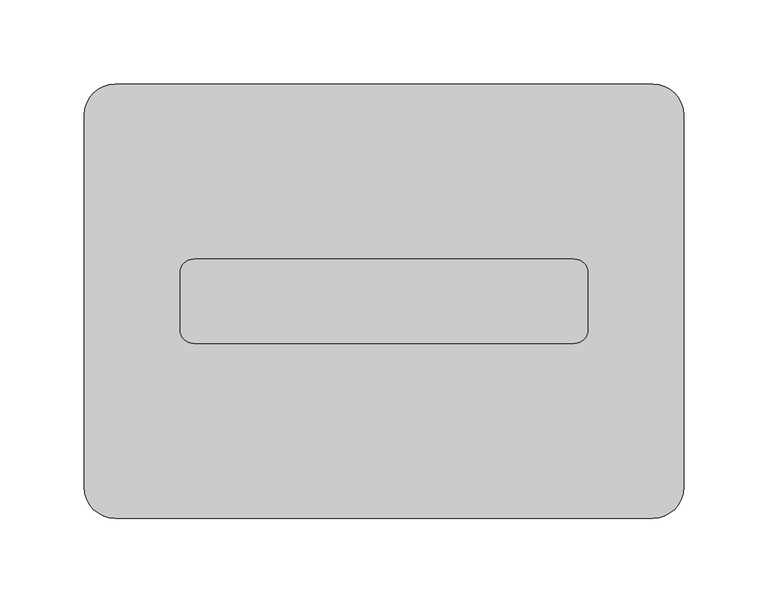
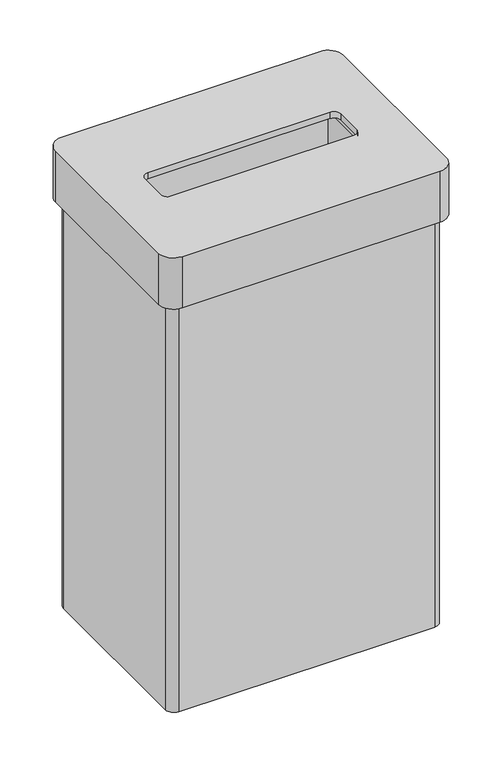
"""IFC4 building model written with IfcOpenShell, lengths in millimetres: furniture geometry."""

from ifc_helpers import new_model, si_unit, frame, origin, place, context, project, spatial, polyline, circle_curve, source, transform, mapped, element, save
from ifc_brep_helpers import plane_surface, cylinder_surface, revolved_surface, advanced_brep


def furniture_e875642c(model_context):
    return source(origin(), model_context, "Body", "AdvancedBrep", [
        advanced_brep(
        [(158.25, 119.75, 534.2), (-158.25, 119.75, 534.2), (-168.75, 109.25, 534.2), (-168.75, -109.25, 534.2), (-158.25, -119.75, 534.2), (158.25, -119.75, 534.2), (168.75, -109.25, 534.2), (168.75, 109.25, 534.2), (159.5, 110.5, 534.2), (159.5, -110.5, 534.2), (-159.5, -110.5, 534.2), (-159.5, 110.5, 534.2), (158.25, 119.75, 0.0), (168.75, 109.25, 0.0), (168.75, -109.25, 0.0), (158.25, -119.75, 0.0), (-158.25, -119.75, 0.0), (-168.75, -109.25, 0.0), (-168.75, 109.25, 0.0), (-158.25, 119.75, 0.0), (159.5, 110.5, 8.0), (159.5, -110.5, 8.0), (-159.5, -110.5, 8.0), (-159.5, 110.5, 8.0)],
        [
            (0, 1),
            (1, 2, circle_curve(frame((-158.25, 109.25, 534.2), z_axis=(0.0, 0.0, 1.0), x_axis=(1.0, 0.0, 0.0)), 10.5)),
            (2, 3),
            (3, 4, circle_curve(frame((-158.25, -109.25, 534.2), z_axis=(0.0, 0.0, 1.0), x_axis=(1.0, 0.0, 0.0)), 10.5)),
            (4, 5),
            (5, 6, circle_curve(frame((158.25, -109.25, 534.2), z_axis=(0.0, 0.0, 1.0), x_axis=(1.0, 0.0, 0.0)), 10.5)),
            (6, 7),
            (7, 0, circle_curve(frame((158.25, 109.25, 534.2), z_axis=(0.0, 0.0, 1.0), x_axis=(1.0, 0.0, 0.0)), 10.5)),
            (8, 9),
            (9, 10),
            (10, 11),
            (11, 8),
            (12, 13, circle_curve(frame((158.25, 109.25, 0.0), z_axis=(0.0, 0.0, -1.0), x_axis=(1.0, 0.0, 0.0)), 10.5)),
            (13, 14),
            (14, 15, circle_curve(frame((158.25, -109.25, 0.0), z_axis=(0.0, 0.0, -1.0), x_axis=(1.0, 0.0, 0.0)), 10.5)),
            (15, 16),
            (16, 17, circle_curve(frame((-158.25, -109.25, 0.0), z_axis=(0.0, 0.0, -1.0), x_axis=(1.0, 0.0, 0.0)), 10.5)),
            (17, 18),
            (18, 19, circle_curve(frame((-158.25, 109.25, 0.0), z_axis=(0.0, 0.0, -1.0), x_axis=(1.0, 0.0, 0.0)), 10.5)),
            (19, 12),
            (8, 20),
            (20, 21),
            (21, 9),
            (21, 22),
            (22, 10),
            (22, 23),
            (23, 11),
            (23, 20),
            (0, 12),
            (19, 1),
            (18, 2),
            (17, 3),
            (16, 4),
            (15, 5),
            (14, 6),
            (13, 7),
        ],
        [
            plane_surface(frame((159.5, 110.5, 534.2), z_axis=(0.0, 0.0, 1.0), x_axis=(0.0, -1.0, 0.0))),
            plane_surface(frame((159.5, 110.5, 0.0), z_axis=(0.0, 0.0, -1.0), x_axis=(0.0, 1.0, 0.0))),
            plane_surface(frame((159.5, 110.5, 534.2), z_axis=(-1.0, 0.0, 0.0), x_axis=(0.0, 0.0, -1.0))),
            plane_surface(frame((159.5, -110.5, 534.2), z_axis=(0.0, 1.0, 0.0), x_axis=(0.0, 0.0, -1.0))),
            plane_surface(frame((-159.5, -110.5, 534.2), z_axis=(1.0, 0.0, 0.0), x_axis=(0.0, 0.0, -1.0))),
            plane_surface(frame((-159.5, 110.5, 534.2), z_axis=(0.0, -1.0, 0.0), x_axis=(0.0, 0.0, -1.0))),
            plane_surface(frame((158.25, 119.75, 534.2), z_axis=(0.0, 1.0, 0.0), x_axis=(0.0, 0.0, -1.0))),
            cylinder_surface(frame((-158.25, 109.25, 0.0), z_axis=(0.0, 0.0, 1.0), x_axis=(1.0, 0.0, 0.0)), 10.5),
            plane_surface(frame((-168.75, 109.25, 534.2), z_axis=(-1.0, 0.0, 0.0), x_axis=(0.0, 0.0, -1.0))),
            cylinder_surface(frame((-158.25, -109.25, 0.0), z_axis=(0.0, 0.0, 1.0), x_axis=(1.0, 0.0, 0.0)), 10.5),
            plane_surface(frame((-158.25, -119.75, 534.2), z_axis=(0.0, -1.0, 0.0), x_axis=(0.0, 0.0, -1.0))),
            cylinder_surface(frame((158.25, -109.25, 0.0), z_axis=(0.0, 0.0, 1.0), x_axis=(1.0, 0.0, 0.0)), 10.5),
            plane_surface(frame((168.75, -109.25, 534.2), z_axis=(1.0, 0.0, 0.0), x_axis=(0.0, 0.0, -1.0))),
            cylinder_surface(frame((158.25, 109.25, 0.0), z_axis=(0.0, 0.0, 1.0), x_axis=(1.0, 0.0, 0.0)), 10.5),
            plane_surface(frame((-159.5, 110.5, 8.0), z_axis=(0.0, 0.0, 1.0), x_axis=(-1.0, 0.0, 0.0))),
        ],
        [
            (0, [[1, 2, 3, 4, 5, 6, 7, 8], [9, 10, 11, 12]]),
            (1, [[13, 14, 15, 16, 17, 18, 19, 20]]),
            (2, [[-9, 21, 22, 23]]),
            (3, [[-10, -23, 24, 25]]),
            (4, [[-11, -25, 26, 27]]),
            (5, [[-12, -27, 28, -21]]),
            (6, [[-1, 29, -20, 30]]),
            (7, [[-2, -30, -19, 31]]),
            (8, [[-3, -31, -18, 32]]),
            (9, [[-4, -32, -17, 33]]),
            (10, [[-5, -33, -16, 34]]),
            (11, [[-6, -34, -15, 35]]),
            (12, [[-7, -35, -14, 36]]),
            (13, [[-8, -36, -13, -29]]),
            (14, [[-22, -28, -26, -24]]),
        ],
    ),
        advanced_brep(
        [(159.5, 129.0, 601.2), (-159.5, 129.0, 601.2), (-178.0, 110.5, 601.2), (-178.0, -110.5, 601.2), (-159.5, -129.0, 601.2), (159.5, -129.0, 601.2), (178.0, -110.5, 601.2), (178.0, 110.5, 601.2), (113.0, 25.0, 601.2), (121.0, 17.0, 601.2), (121.0, -17.0, 601.2), (113.0, -25.0, 601.2), (-113.0, -25.0, 601.2), (-121.0, -17.0, 601.2), (-121.0, 17.0, 601.2), (-113.0, 25.0, 601.2), (159.5, 110.5, 593.2), (159.5, -110.5, 593.2), (-159.5, -110.5, 593.2), (-159.5, 110.5, 593.2), (113.0, 25.0, 593.2), (-113.0, 25.0, 593.2), (-121.0, 17.0, 593.2), (-121.0, -17.0, 593.2), (-113.0, -25.0, 593.2), (113.0, -25.0, 593.2), (121.0, -17.0, 593.2), (121.0, 17.0, 593.2), (159.5, 129.0, 534.2), (178.0, 110.5, 534.2), (178.0, -110.5, 534.2), (159.5, -129.0, 534.2), (-159.5, -129.0, 534.2), (-178.0, -110.5, 534.2), (-178.0, 110.5, 534.2), (-159.5, 129.0, 534.2), (159.5, 110.5, 534.2), (-159.5, 110.5, 534.2), (-159.5, -110.5, 534.2), (159.5, -110.5, 534.2)],
        [
            (0, 1),
            (1, 2, circle_curve(frame((-159.5, 110.5, 601.2), z_axis=(0.0, 0.0, 1.0), x_axis=(1.0, 0.0, 0.0)), 18.5)),
            (2, 3),
            (3, 4, circle_curve(frame((-159.5, -110.5, 601.2), z_axis=(0.0, 0.0, 1.0), x_axis=(1.0, 0.0, 0.0)), 18.5)),
            (4, 5),
            (5, 6, circle_curve(frame((159.5, -110.5, 601.2), z_axis=(0.0, 0.0, 1.0), x_axis=(1.0, 0.0, 0.0)), 18.5)),
            (6, 7),
            (7, 0, circle_curve(frame((159.5, 110.5, 601.2), z_axis=(0.0, 0.0, 1.0), x_axis=(1.0, 0.0, 0.0)), 18.5)),
            (8, 9, circle_curve(frame((113.0, 17.0, 601.2), z_axis=(0.0, 0.0, -1.0), x_axis=(1.0, 0.0, 0.0)), 8.0)),
            (9, 10),
            (10, 11, circle_curve(frame((113.0, -17.0, 601.2), z_axis=(0.0, 0.0, -1.0), x_axis=(1.0, 0.0, 0.0)), 8.0)),
            (11, 12),
            (12, 13, circle_curve(frame((-113.0, -17.0, 601.2), z_axis=(0.0, 0.0, -1.0), x_axis=(1.0, 0.0, 0.0)), 8.0)),
            (13, 14),
            (14, 15, circle_curve(frame((-113.0, 17.0, 601.2), z_axis=(0.0, 0.0, -1.0), x_axis=(1.0, 0.0, 0.0)), 8.0)),
            (15, 8),
            (16, 17),
            (17, 18),
            (18, 19),
            (19, 16),
            (20, 21),
            (21, 22, circle_curve(frame((-113.0, 17.0, 593.2), z_axis=(0.0, 0.0, 1.0), x_axis=(1.0, 0.0, 0.0)), 8.0)),
            (22, 23),
            (23, 24, circle_curve(frame((-113.0, -17.0, 593.2), z_axis=(0.0, 0.0, 1.0), x_axis=(1.0, 0.0, 0.0)), 8.0)),
            (24, 25),
            (25, 26, circle_curve(frame((113.0, -17.0, 593.2), z_axis=(0.0, 0.0, 1.0), x_axis=(1.0, 0.0, 0.0)), 8.0)),
            (26, 27),
            (27, 20, circle_curve(frame((113.0, 17.0, 593.2), z_axis=(0.0, 0.0, 1.0), x_axis=(1.0, 0.0, 0.0)), 8.0)),
            (8, 20),
            (27, 9),
            (26, 10),
            (25, 11),
            (24, 12),
            (23, 13),
            (22, 14),
            (21, 15),
            (28, 29, circle_curve(frame((159.5, 110.5, 534.2), z_axis=(0.0, 0.0, -1.0), x_axis=(1.0, 0.0, 0.0)), 18.5)),
            (29, 30),
            (30, 31, circle_curve(frame((159.5, -110.5, 534.2), z_axis=(0.0, 0.0, -1.0), x_axis=(1.0, 0.0, 0.0)), 18.5)),
            (31, 32),
            (32, 33, circle_curve(frame((-159.5, -110.5, 534.2), z_axis=(0.0, 0.0, -1.0), x_axis=(1.0, 0.0, 0.0)), 18.5)),
            (33, 34),
            (34, 35, circle_curve(frame((-159.5, 110.5, 534.2), z_axis=(0.0, 0.0, -1.0), x_axis=(1.0, 0.0, 0.0)), 18.5)),
            (35, 28),
            (36, 37),
            (37, 38),
            (38, 39),
            (39, 36),
            (0, 28),
            (35, 1),
            (34, 2),
            (33, 3),
            (32, 4),
            (31, 5),
            (30, 6),
            (29, 7),
            (39, 17),
            (16, 36),
            (38, 18),
            (37, 19),
        ],
        [
            plane_surface(frame((-159.5, 110.5, 601.2), z_axis=(0.0, 0.0, 1.0), x_axis=(-1.0, 0.0, 0.0))),
            plane_surface(frame((-159.5, 110.5, 593.2), z_axis=(0.0, 0.0, -1.0), x_axis=(1.0, 0.0, 0.0))),
            revolved_surface(polyline([(121.0, 17.0, 593.2), (121.0, 17.0, 601.2)]), (113.0, 17.0, 601.2), (0.0, 0.0, -1.0)),
            plane_surface(frame((121.0, 17.0, 601.2), z_axis=(-1.0, 0.0, 0.0), x_axis=(0.0, 0.0, -1.0))),
            revolved_surface(polyline([(121.0, -17.0, 593.2), (121.0, -17.0, 601.2)]), (113.0, -17.0, 601.2), (0.0, 0.0, -1.0)),
            plane_surface(frame((113.0, -25.0, 601.2), z_axis=(0.0, 1.0, 0.0), x_axis=(0.0, 0.0, -1.0))),
            revolved_surface(polyline([(-105.0, -17.0, 593.2), (-105.0, -17.0, 601.2)]), (-113.0, -17.0, 601.2), (0.0, 0.0, -1.0)),
            plane_surface(frame((-121.0, -17.0, 601.2), z_axis=(1.0, 0.0, 0.0), x_axis=(0.0, 0.0, -1.0))),
            revolved_surface(polyline([(-105.0, 17.0, 593.2), (-105.0, 17.0, 601.2)]), (-113.0, 17.0, 601.2), (0.0, 0.0, -1.0)),
            plane_surface(frame((-113.0, 25.0, 601.2), z_axis=(0.0, -1.0, 0.0), x_axis=(0.0, 0.0, -1.0))),
            plane_surface(frame((-159.5, 129.0, 534.2), z_axis=(0.0, 0.0, -1.0), x_axis=(1.0, 0.0, 0.0))),
            plane_surface(frame((159.5, 129.0, 601.2), z_axis=(0.0, 1.0, 0.0), x_axis=(0.0, 0.0, -1.0))),
            cylinder_surface(frame((-159.5, 110.5, 534.2), z_axis=(0.0, 0.0, 1.0), x_axis=(1.0, 0.0, 0.0)), 18.5),
            plane_surface(frame((-178.0, 110.5, 601.2), z_axis=(-1.0, 0.0, 0.0), x_axis=(0.0, 0.0, -1.0))),
            cylinder_surface(frame((-159.5, -110.5, 534.2), z_axis=(0.0, 0.0, 1.0), x_axis=(1.0, 0.0, 0.0)), 18.5),
            plane_surface(frame((-159.5, -129.0, 601.2), z_axis=(0.0, -1.0, 0.0), x_axis=(0.0, 0.0, -1.0))),
            cylinder_surface(frame((159.5, -110.5, 534.2), z_axis=(0.0, 0.0, 1.0), x_axis=(1.0, 0.0, 0.0)), 18.5),
            plane_surface(frame((178.0, -110.5, 601.2), z_axis=(1.0, 0.0, 0.0), x_axis=(0.0, 0.0, -1.0))),
            cylinder_surface(frame((159.5, 110.5, 534.2), z_axis=(0.0, 0.0, 1.0), x_axis=(1.0, 0.0, 0.0)), 18.5),
            plane_surface(frame((159.5, 110.5, 601.2), z_axis=(-1.0, 0.0, 0.0), x_axis=(0.0, 0.0, -1.0))),
            plane_surface(frame((159.5, -110.5, 601.2), z_axis=(0.0, 1.0, 0.0), x_axis=(0.0, 0.0, -1.0))),
            plane_surface(frame((-159.5, -110.5, 601.2), z_axis=(1.0, 0.0, 0.0), x_axis=(0.0, 0.0, -1.0))),
            plane_surface(frame((-159.5, 110.5, 601.2), z_axis=(0.0, -1.0, 0.0), x_axis=(0.0, 0.0, -1.0))),
        ],
        [
            (0, [[1, 2, 3, 4, 5, 6, 7, 8], [9, 10, 11, 12, 13, 14, 15, 16]]),
            (1, [[17, 18, 19, 20], [21, 22, 23, 24, 25, 26, 27, 28]]),
            (2, [[-9, 29, -28, 30]]),
            (3, [[-10, -30, -27, 31]]),
            (4, [[-11, -31, -26, 32]]),
            (5, [[-12, -32, -25, 33]]),
            (6, [[-13, -33, -24, 34]]),
            (7, [[-14, -34, -23, 35]]),
            (8, [[-15, -35, -22, 36]]),
            (9, [[-16, -36, -21, -29]]),
            (10, [[37, 38, 39, 40, 41, 42, 43, 44], [45, 46, 47, 48]]),
            (11, [[-1, 49, -44, 50]]),
            (12, [[-2, -50, -43, 51]]),
            (13, [[-3, -51, -42, 52]]),
            (14, [[-4, -52, -41, 53]]),
            (15, [[-5, -53, -40, 54]]),
            (16, [[-6, -54, -39, 55]]),
            (17, [[-7, -55, -38, 56]]),
            (18, [[-8, -56, -37, -49]]),
            (19, [[-48, 57, -17, 58]]),
            (20, [[-47, 59, -18, -57]]),
            (21, [[-46, 60, -19, -59]]),
            (22, [[-45, -58, -20, -60]]),
        ],
    ),
    ])


if __name__ == "__main__":
    model = new_model("IFC4")
    model_context = context("Model", 3, world=origin())
    ifc_project = project(units=[si_unit("LENGTHUNIT", "METRE", prefix="MILLI")], contexts=[model_context])
    site = spatial("IfcSite", under=ifc_project)
    building = spatial("IfcBuilding", under=site)
    placement = place(None, origin())
    furniture_shape = furniture_e875642c(model_context)
    element("IfcFurniture", 1, at=placement, inside=building, context=model_context, shape_type="MappedRepresentation", body=[
        mapped(furniture_shape, transform((0.0, 0.0, 0.0), x_axis=(1.0, 0.0, 0.0), y_axis=(0.0, 1.0, 0.0), z_axis=(0.0, 0.0, 1.0))),
    ])
    save(model, "model.ifc")
